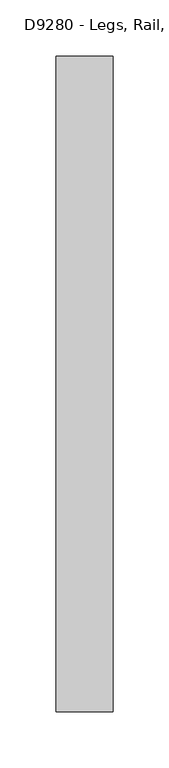
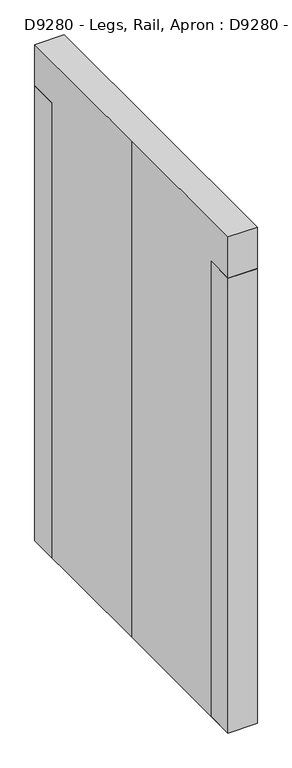
"""IFC4 building model written with IfcOpenShell, lengths in millimetres: proxy geometry, D9280 - Legs, Rail, Apron : D9280 - Legs, Rail, Apron."""

from ifc_helpers import new_model, si_unit, origin, origin_with_axes, place, context, project, spatial, polyline, outline, extrude, source, transform, mapped, element, save


def d9280_legs_rail_apron_d9280_legs_rail_apron_e6abbdd0(model_context):
    return source(origin(), model_context, "Body", "SweptSolid", [
        extrude(outline(polyline([(25.4, -292.1), (-25.4, -292.1), (-25.4, -241.3), (25.4, -241.3), (25.4, -292.1)])), origin_with_axes(), (0.0, 0.0, 1.0), 838.2),
        extrude(outline(polyline([(25.4, 292.1), (25.4, 241.3), (-25.4, 241.3), (-25.4, 292.1), (25.4, 292.1)])), origin_with_axes(), (0.0, 0.0, 1.0), 838.2),
        extrude(outline(polyline([(-25.4, 292.1), (25.4, 292.1), (25.4, -292.1), (-25.4, -292.1), (-25.4, 0.0), (-25.4, 292.1)])), origin_with_axes(), (0.0, 0.0, 1.0), 914.4),
    ])


if __name__ == "__main__":
    model = new_model("IFC4")
    model_context = context("Model", 3, world=origin())
    ifc_project = project(units=[si_unit("LENGTHUNIT", "METRE", prefix="MILLI")], contexts=[model_context])
    site = spatial("IfcSite", under=ifc_project)
    building = spatial("IfcBuilding", under=site)
    placement = place(None, origin())
    d9280_legs_rail_apron_d9280_legs_rail_apron_shape = d9280_legs_rail_apron_d9280_legs_rail_apron_e6abbdd0(model_context)
    element("IfcBuildingElementProxy", 1, Name="D9280 - Legs, Rail, Apron : D9280 - Legs, Rail, Apron", ObjectType="D9280 - Legs, Rail, Apron : D9280 - Legs, Rail, Apron", at=placement, inside=building, context=model_context, shape_type="MappedRepresentation", body=[
        mapped(d9280_legs_rail_apron_d9280_legs_rail_apron_shape, transform((0.0, 0.0, 0.0), x_axis=(1.0, 0.0, 0.0), y_axis=(0.0, 1.0, 0.0), z_axis=(0.0, 0.0, 1.0))),
    ])
    save(model, "model.ifc")
